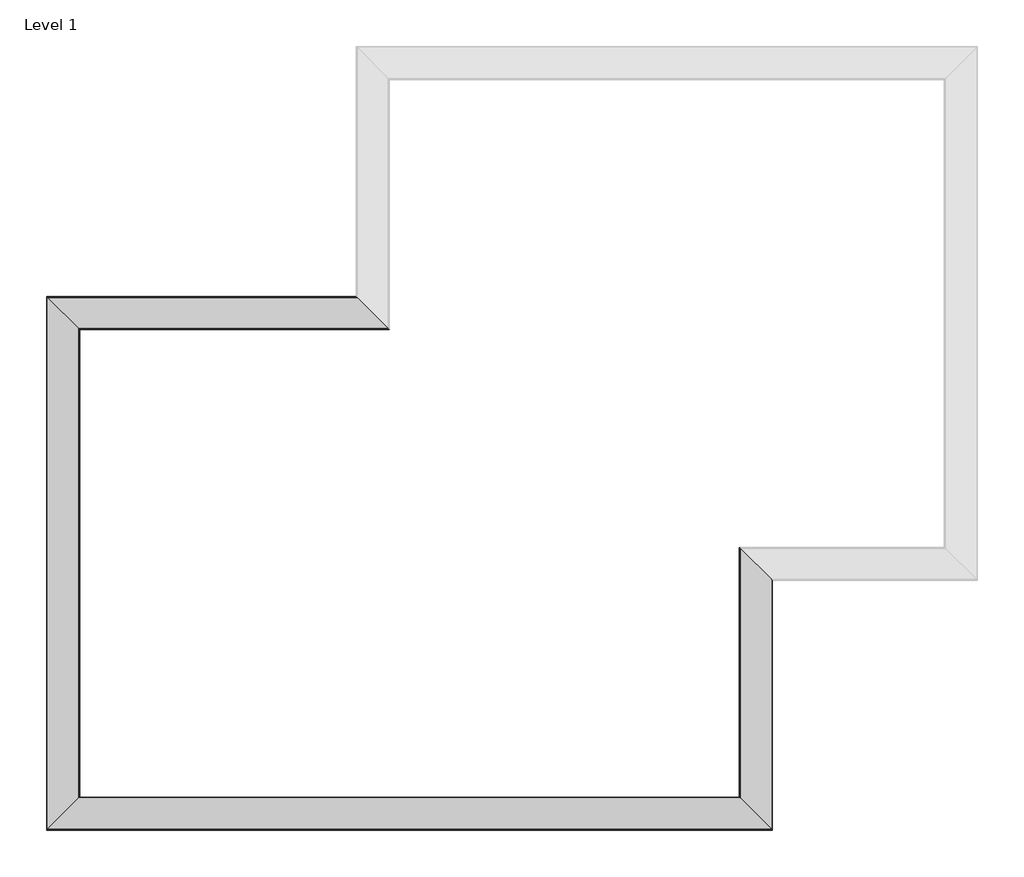
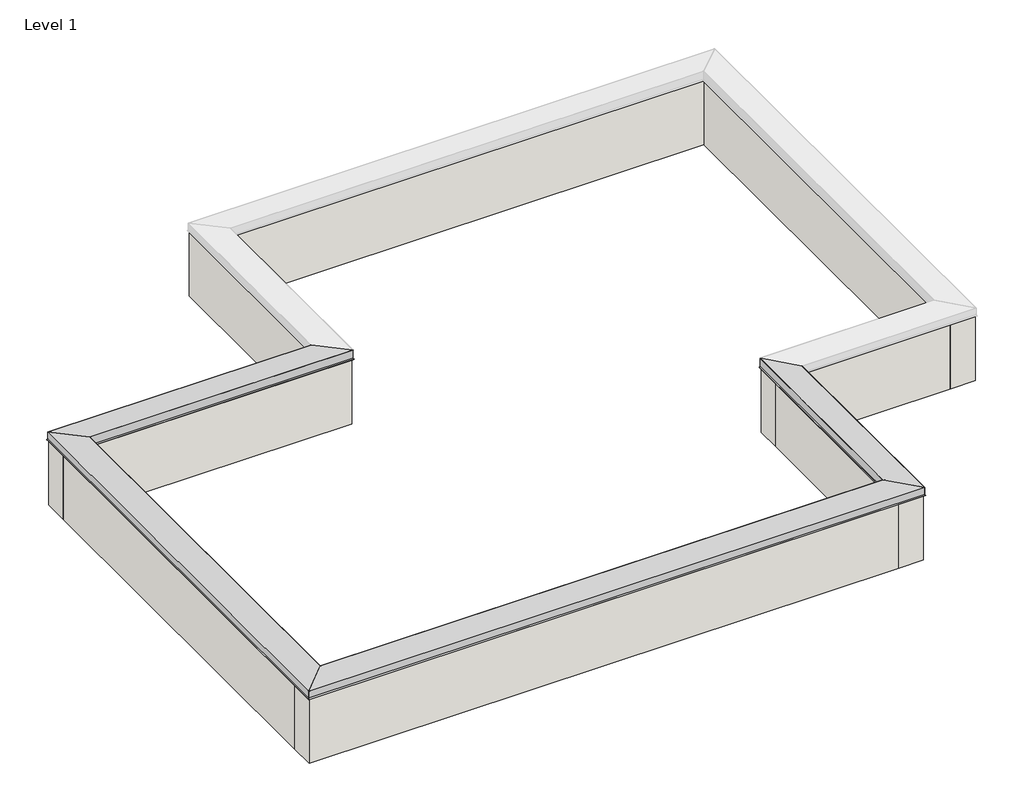
# One storey, part 1 of 2: 8 walls, 4 proxies.
"""IFC4 building model written with IfcOpenShell, lengths in millimetres."""

from ifc_helpers import new_model, si_unit, frame, origin, origin_with_axes, place, context, project, spatial, polyline, ellipse_curve, outline, extrude, faceted_brep, element, save
from ifc_brep_helpers import plane_surface, cylinder_surface, advanced_brep

model = new_model("IFC4")

# Units and contexts
model_context = context("Model", 3, world=origin())
ifc_project = project(units=[si_unit("LENGTHUNIT", "METRE", prefix="MILLI")], contexts=[model_context])

# Site, building, storey
site = spatial("IfcSite", under=ifc_project)
building = spatial("IfcBuilding", under=site)
storey = spatial("IfcBuildingStorey", under=building, Name="Level 1", Elevation=0.0)

# Proxies
placement = place(None, origin())
element("IfcBuildingElementProxy", 1, Name="Wall Sweeps", at=placement, inside=storey, context=model_context, shape_type="AdvancedBrep", body=[
    advanced_brep(
    [(-8110.4188815, 22766.7096342, 938.5532133), (-8110.4188815, 22766.7096342, 853.6034331), (-8118.3868754, 22774.6776281, 839.8024627), (-8116.9097878, 22773.2005405, 838.3536044), (-8107.3263626, 22763.6171153, 844.1359599), (-8107.8902006, 22764.1809533, 845.0704406), (-8117.3968634, 22773.6876161, 839.3344014), (-8109.3274752, 22765.6182279, 853.3109916), (-8109.3274752, 22765.6182279, 938.7085938), (-7785.4774752, 22441.7682279, 956.4191406), (-7785.4774752, 22441.7682279, 853.3109916), (-7777.4080871, 22433.6988398, 839.3344014), (-7786.9147498, 22443.2055026, 845.0704406), (-7787.4785879, 22443.7693406, 844.1359599), (-7777.8951627, 22434.1859154, 838.3536044), (-7776.418075, 22432.7088278, 839.8024627), (-7784.386069, 22440.6768217, 853.6034331), (-7784.386069, 22440.6768217, 956.2061298), (-7785.7497654, 22442.0405181, 957.4972868), (-8109.2319239, 22765.5226766, 939.8068563), (-4897.3004714, 22766.7096342, 938.5532133), (-4896.1135138, 22765.5226766, 939.8068563), (-4572.6313554, 22442.0405181, 957.4972868), (-4571.2676589, 22440.6768217, 956.2061298), (-4571.2676589, 22440.6768217, 853.6034331), (-4563.299665, 22432.7088278, 839.8024627), (-4564.7767526, 22434.1859154, 838.3536044), (-4574.3601778, 22443.7693406, 844.1359599), (-4573.7963398, 22443.2055026, 845.0704406), (-4564.289677, 22433.6988398, 839.3344014), (-4572.3590652, 22441.7682279, 853.3109916), (-4572.3590652, 22441.7682279, 956.4191406), (-4896.2090652, 22765.6182279, 938.7085938), (-4896.2090652, 22765.6182279, 853.3109916), (-4904.2784533, 22773.6876161, 839.3344014), (-4894.7717906, 22764.1809533, 845.0704406), (-4894.2079525, 22763.6171153, 844.1359599), (-4903.7913777, 22773.2005405, 838.3536044), (-4905.2684654, 22774.6776281, 839.8024627), (-4897.3004714, 22766.7096342, 853.6034331)],
    [
        (0, 1),
        (1, 2),
        (2, 3, ellipse_curve(frame((-8117.4616931, 22773.7524459, 839.2683085), z_axis=(-0.7071067811865511, -0.707106781186544, 0.0), x_axis=(-0.7071067811865438, 0.7071067811865512, 0.0)), 1.5108163, 1.0683085)),
        (3, 4),
        (4, 5),
        (5, 6),
        (6, 7),
        (7, 8),
        (8, 9),
        (9, 10),
        (10, 11),
        (11, 12),
        (12, 13),
        (13, 14),
        (14, 15, ellipse_curve(frame((-7777.3432573, 22433.63401, 839.2683085), z_axis=(-0.7071067811865511, -0.707106781186544, 0.0), x_axis=(-0.7071067811865438, 0.7071067811865512, 0.0)), 1.5108163, 1.0683085)),
        (15, 16),
        (16, 17),
        (17, 18, ellipse_curve(frame((-7785.6791553, 22441.969908, 956.2061298), z_axis=(-0.7071067811865511, -0.707106781186544, 0.0), x_axis=(-0.7071067811865438, 0.7071067811865512, 0.0)), 1.8287002, 1.2930863)),
        (18, 19),
        (19, 0, ellipse_curve(frame((-8109.1633653, 22765.454118, 938.5532133), z_axis=(-0.7071067811865511, -0.707106781186544, 0.0), x_axis=(-0.7071067811865438, 0.7071067811865512, 0.0)), 1.775568, 1.2555162)),
        (20, 21, ellipse_curve(frame((-4896.0449552, 22765.454118, 938.5532133), z_axis=(0.7071067811865511, 0.707106781186544, 0.0), x_axis=(-0.7071067811865438, 0.7071067811865512, 0.0)), 1.775568, 1.2555162)),
        (21, 22),
        (22, 23, ellipse_curve(frame((-4572.5607452, 22441.969908, 956.2061298), z_axis=(0.7071067811865511, 0.707106781186544, 0.0), x_axis=(-0.7071067811865438, 0.7071067811865512, 0.0)), 1.8287002, 1.2930863)),
        (23, 24),
        (24, 25),
        (25, 26, ellipse_curve(frame((-4564.2248473, 22433.63401, 839.2683085), z_axis=(0.7071067811865511, 0.707106781186544, 0.0), x_axis=(-0.7071067811865438, 0.7071067811865512, 0.0)), 1.5108163, 1.0683085)),
        (26, 27),
        (27, 28),
        (28, 29),
        (29, 30),
        (30, 31),
        (31, 32),
        (32, 33),
        (33, 34),
        (34, 35),
        (35, 36),
        (36, 37),
        (37, 38, ellipse_curve(frame((-4904.3432831, 22773.7524459, 839.2683085), z_axis=(0.7071067811865511, 0.707106781186544, 0.0), x_axis=(-0.7071067811865438, 0.7071067811865512, 0.0)), 1.5108163, 1.0683085)),
        (38, 39),
        (39, 20),
        (0, 20),
        (39, 1),
        (38, 2),
        (37, 3),
        (36, 4),
        (35, 5),
        (34, 6),
        (33, 7),
        (32, 8),
        (31, 9),
        (30, 10),
        (29, 11),
        (28, 12),
        (27, 13),
        (26, 14),
        (25, 15),
        (24, 16),
        (23, 17),
        (22, 18),
        (21, 19),
    ],
    [
        plane_surface(frame((-7947.4024752, 22603.6932279, 1219.2), z_axis=(-0.7071067811865511, -0.707106781186544, 0.0), x_axis=(0.707106781186544, -0.7071067811865511, 0.0))),
        plane_surface(frame((-4734.2840652, 22603.6932279, 609.6), z_axis=(0.7071067811865511, 0.707106781186544, 0.0), x_axis=(-0.707106781186544, 0.7071067811865511, 0.0))),
        plane_surface(frame((-8110.4188815, 22766.7096342, 938.5532133), z_axis=(0.0, 1.0, 0.0), x_axis=(1.0, 0.0, 0.0))),
        plane_surface(frame((-8110.4188815, 22766.7096342, 853.6034331), z_axis=(0.0, 0.8660254037844569, 0.4999999999999685), x_axis=(1.0, 0.0, 0.0))),
        cylinder_surface(frame((-7947.4024752, 22773.7524459, 839.2683085), z_axis=(-1.0, 0.0, 0.0), x_axis=(0.0, -1.0, 0.0)), 1.0683085),
        plane_surface(frame((-8116.9097878, 22773.2005405, 838.3536044), z_axis=(0.0, -0.5166161099101971, -0.8562171424243123), x_axis=(1.0, 0.0, 0.0))),
        plane_surface(frame((-8107.3263626, 22763.6171153, 844.1359599), z_axis=(0.0, -0.8562171424243104, 0.5166161099102006), x_axis=(1.0, 0.0, 0.0))),
        plane_surface(frame((-8107.8902006, 22764.1809533, 845.0704406), z_axis=(0.0, 0.5166161099101976, 0.8562171424243121), x_axis=(1.0, 0.0, 0.0))),
        plane_surface(frame((-8117.3968634, 22773.6876161, 839.3344014), z_axis=(0.0, -0.8660254037844562, -0.4999999999999696), x_axis=(1.0, 0.0, 0.0))),
        plane_surface(frame((-8109.3274752, 22765.6182279, 853.3109916), z_axis=(0.0, -1.0, 0.0), x_axis=(1.0, 0.0, 0.0))),
        plane_surface(frame((-8109.3274752, 22765.6182279, 938.7085938), z_axis=(0.0, -0.054605905401932484, -0.9985079844924803), x_axis=(1.0, 0.0, 0.0))),
        plane_surface(frame((-7785.4774752, 22441.7682279, 956.4191406), z_axis=(0.0, 1.0, 0.0), x_axis=(1.0, 0.0, 0.0))),
        plane_surface(frame((-7785.4774752, 22441.7682279, 853.3109916), z_axis=(0.0, 0.8660254037844567, -0.49999999999996875), x_axis=(1.0, 0.0, 0.0))),
        plane_surface(frame((-7777.4080871, 22433.6988398, 839.3344014), z_axis=(0.0, -0.5166161099101967, 0.8562171424243127), x_axis=(1.0, 0.0, 0.0))),
        plane_surface(frame((-7786.9147498, 22443.2055026, 845.0704406), z_axis=(0.0, 0.8562171424243104, 0.5166161099102006), x_axis=(1.0, 0.0, 0.0))),
        plane_surface(frame((-7787.4785879, 22443.7693406, 844.1359599), z_axis=(0.0, 0.5166161099101941, -0.8562171424243141), x_axis=(1.0, 0.0, 0.0))),
        cylinder_surface(frame((-7947.4024752, 22433.63401, 839.2683085), z_axis=(-1.0, 0.0, 0.0), x_axis=(0.0, -1.0, 0.0)), 1.0683085),
        plane_surface(frame((-7776.418075, 22432.7088278, 839.8024627), z_axis=(0.0, -0.8660254037844565, 0.4999999999999693), x_axis=(1.0, 0.0, 0.0))),
        plane_surface(frame((-7784.386069, 22440.6768217, 853.6034331), z_axis=(0.0, -1.0, 0.0), x_axis=(1.0, 0.0, 0.0))),
        cylinder_surface(frame((-7947.4024752, 22441.969908, 956.2061298), z_axis=(-1.0, 0.0, 0.0), x_axis=(0.0, -1.0, 0.0)), 1.2930863),
        plane_surface(frame((-7785.7497654, 22442.0405181, 957.4972868), z_axis=(0.0, 0.05460590540193245, 0.9985079844924803), x_axis=(1.0, 0.0, 0.0))),
        cylinder_surface(frame((-7947.4024752, 22765.454118, 938.5532133), z_axis=(-1.0, 0.0, 0.0), x_axis=(0.0, -1.0, 0.0)), 1.2555162),
    ],
    [
        (0, [[1, 2, 3, 4, 5, 6, 7, 8, 9, 10, 11, 12, 13, 14, 15, 16, 17, 18, 19, 20]]),
        (1, [[21, 22, 23, 24, 25, 26, 27, 28, 29, 30, 31, 32, 33, 34, 35, 36, 37, 38, 39, 40]]),
        (2, [[-1, 41, -40, 42]]),
        (3, [[-2, -42, -39, 43]]),
        (4, [[-3, -43, -38, 44]]),
        (5, [[-4, -44, -37, 45]]),
        (6, [[-5, -45, -36, 46]]),
        (7, [[-6, -46, -35, 47]]),
        (8, [[-7, -47, -34, 48]]),
        (9, [[-8, -48, -33, 49]]),
        (10, [[-9, -49, -32, 50]]),
        (11, [[-10, -50, -31, 51]]),
        (12, [[-11, -51, -30, 52]]),
        (13, [[-12, -52, -29, 53]]),
        (14, [[-13, -53, -28, 54]]),
        (15, [[-14, -54, -27, 55]]),
        (16, [[-15, -55, -26, 56]]),
        (17, [[-16, -56, -25, 57]]),
        (18, [[-17, -57, -24, 58]]),
        (19, [[-18, -58, -23, 59]]),
        (20, [[-19, -59, -22, 60]]),
        (21, [[-20, -60, -21, -41]]),
    ],
),
])
element("IfcBuildingElementProxy", 2, Name="Wall Sweeps", at=placement, inside=storey, context=model_context, shape_type="AdvancedBrep", body=[
    advanced_brep(
    [(-596.1492489, 19837.1584116, 938.5532133), (-596.1492489, 19837.1584116, 853.6034331), (-588.1812549, 19829.1904177, 839.8024627), (-589.6583426, 19830.6675054, 838.3536044), (-599.2417678, 19840.2509306, 844.1359599), (-598.6779297, 19839.6870925, 845.0704406), (-589.171267, 19830.1804297, 839.3344014), (-597.2406551, 19838.2498179, 853.3109916), (-597.2406551, 19838.2498179, 938.7085938), (-921.0906551, 20162.0998179, 956.4191406), (-921.0906551, 20162.0998179, 853.3109916), (-929.1600433, 20170.1692061, 839.3344014), (-919.6533805, 20160.6625433, 845.0704406), (-919.0895425, 20160.0987052, 844.1359599), (-928.6729677, 20169.6821304, 838.3536044), (-930.1500553, 20171.1592181, 839.8024627), (-922.1820614, 20163.1912241, 853.6034331), (-922.1820614, 20163.1912241, 956.2061298), (-920.8183649, 20161.8275277, 957.4972868), (-597.3362065, 19838.3453692, 939.8068563), (-596.1492489, 17246.3584116, 938.5532133), (-597.3362065, 17247.5453692, 939.8068563), (-920.8183649, 17571.0275277, 957.4972868), (-922.1820614, 17572.3912241, 956.2061298), (-922.1820614, 17572.3912241, 853.6034331), (-930.1500553, 17580.3592181, 839.8024627), (-928.6729677, 17578.8821304, 838.3536044), (-919.0895425, 17569.2987052, 844.1359599), (-919.6533805, 17569.8625433, 845.0704406), (-929.1600433, 17579.3692061, 839.3344014), (-921.0906551, 17571.2998179, 853.3109916), (-921.0906551, 17571.2998179, 956.4191406), (-597.2406551, 17247.4498179, 938.7085938), (-597.2406551, 17247.4498179, 853.3109916), (-589.171267, 17239.3804297, 839.3344014), (-598.6779297, 17248.8870925, 845.0704406), (-599.2417678, 17249.4509306, 844.1359599), (-589.6583426, 17239.8675054, 838.3536044), (-588.1812549, 17238.3904177, 839.8024627), (-596.1492489, 17246.3584116, 853.6034331)],
    [
        (0, 1),
        (1, 2),
        (2, 3, ellipse_curve(frame((-589.1064372, 19830.1156, 839.2683085), z_axis=(0.7071067811865513, 0.7071067811865438, 0.0), x_axis=(-0.7071067811865438, 0.7071067811865512, 0.0)), 1.5108163, 1.0683085)),
        (3, 4),
        (4, 5),
        (5, 6),
        (6, 7),
        (7, 8),
        (8, 9),
        (9, 10),
        (10, 11),
        (11, 12),
        (12, 13),
        (13, 14),
        (14, 15, ellipse_curve(frame((-929.224873, 20170.2340358, 839.2683085), z_axis=(0.7071067811865513, 0.7071067811865438, 0.0), x_axis=(-0.7071067811865438, 0.7071067811865512, 0.0)), 1.5108163, 1.0683085)),
        (15, 16),
        (16, 17),
        (17, 18, ellipse_curve(frame((-920.8889751, 20161.8981379, 956.2061298), z_axis=(0.7071067811865513, 0.7071067811865438, 0.0), x_axis=(-0.7071067811865438, 0.7071067811865512, 0.0)), 1.8287002, 1.2930863)),
        (18, 19),
        (19, 0, ellipse_curve(frame((-597.4047651, 19838.4139278, 938.5532133), z_axis=(0.7071067811865513, 0.7071067811865438, 0.0), x_axis=(-0.7071067811865438, 0.7071067811865512, 0.0)), 1.775568, 1.2555162)),
        (20, 21, ellipse_curve(frame((-597.4047651, 17247.6139278, 938.5532133), z_axis=(-0.7071067811865478, -0.7071067811865474, 0.0), x_axis=(-0.7071067811865475, 0.7071067811865477, 0.0)), 1.775568, 1.2555162)),
        (21, 22),
        (22, 23, ellipse_curve(frame((-920.8889751, 17571.0981379, 956.2061298), z_axis=(-0.7071067811865478, -0.7071067811865474, 0.0), x_axis=(-0.7071067811865475, 0.7071067811865477, 0.0)), 1.8287002, 1.2930863)),
        (23, 24),
        (24, 25),
        (25, 26, ellipse_curve(frame((-929.224873, 17579.4340358, 839.2683085), z_axis=(-0.7071067811865478, -0.7071067811865474, 0.0), x_axis=(-0.7071067811865475, 0.7071067811865477, 0.0)), 1.5108163, 1.0683085)),
        (26, 27),
        (27, 28),
        (28, 29),
        (29, 30),
        (30, 31),
        (31, 32),
        (32, 33),
        (33, 34),
        (34, 35),
        (35, 36),
        (36, 37),
        (37, 38, ellipse_curve(frame((-589.1064372, 17239.3156, 839.2683085), z_axis=(-0.7071067811865478, -0.7071067811865474, 0.0), x_axis=(-0.7071067811865475, 0.7071067811865477, 0.0)), 1.5108163, 1.0683085)),
        (38, 39),
        (39, 20),
        (0, 20),
        (39, 1),
        (38, 2),
        (37, 3),
        (36, 4),
        (35, 5),
        (34, 6),
        (33, 7),
        (32, 8),
        (31, 9),
        (30, 10),
        (29, 11),
        (28, 12),
        (27, 13),
        (26, 14),
        (25, 15),
        (24, 16),
        (23, 17),
        (22, 18),
        (21, 19),
    ],
    [
        plane_surface(frame((-759.1656551, 20000.1748179, 609.6), z_axis=(0.7071067811865513, 0.7071067811865438, 0.0), x_axis=(0.7071067811865438, -0.7071067811865513, 0.0))),
        plane_surface(frame((-759.1656551, 17409.3748179, 1219.2), z_axis=(-0.7071067811865478, -0.7071067811865474, 0.0), x_axis=(-0.7071067811865474, 0.7071067811865478, 0.0))),
        plane_surface(frame((-596.1492489, 19837.1584116, 938.5532133), z_axis=(1.0, 0.0, 0.0), x_axis=(0.0, -1.0, 0.0))),
        plane_surface(frame((-596.1492489, 19837.1584116, 853.6034331), z_axis=(0.8660254037844569, 0.0, 0.4999999999999685), x_axis=(0.0, -1.0, 0.0))),
        cylinder_surface(frame((-589.1064372, 20000.1748179, 839.2683085), z_axis=(0.0, 1.0, 0.0), x_axis=(-1.0, 0.0, 0.0)), 1.0683085),
        plane_surface(frame((-589.6583426, 19830.6675054, 838.3536044), z_axis=(-0.5166161099101971, 0.0, -0.8562171424243123), x_axis=(0.0, -1.0, 0.0))),
        plane_surface(frame((-599.2417678, 19840.2509306, 844.1359599), z_axis=(-0.8562171424243104, 0.0, 0.5166161099102006), x_axis=(0.0, -1.0, 0.0))),
        plane_surface(frame((-598.6779297, 19839.6870925, 845.0704406), z_axis=(0.5166161099101976, 0.0, 0.8562171424243121), x_axis=(0.0, -1.0, 0.0))),
        plane_surface(frame((-589.171267, 19830.1804297, 839.3344014), z_axis=(-0.8660254037844562, 0.0, -0.4999999999999696), x_axis=(0.0, -1.0, 0.0))),
        plane_surface(frame((-597.2406551, 19838.2498179, 853.3109916), z_axis=(-1.0, 0.0, 0.0), x_axis=(0.0, -1.0, 0.0))),
        plane_surface(frame((-597.2406551, 19838.2498179, 938.7085938), z_axis=(-0.054605905401932484, 0.0, -0.9985079844924803), x_axis=(0.0, -1.0, 0.0))),
        plane_surface(frame((-921.0906551, 20162.0998179, 956.4191406), z_axis=(1.0, 0.0, 0.0), x_axis=(0.0, -1.0, 0.0))),
        plane_surface(frame((-921.0906551, 20162.0998179, 853.3109916), z_axis=(0.8660254037844567, 0.0, -0.49999999999996875), x_axis=(0.0, -1.0, 0.0))),
        plane_surface(frame((-929.1600433, 20170.1692061, 839.3344014), z_axis=(-0.5166161099101967, 0.0, 0.8562171424243127), x_axis=(0.0, -1.0, 0.0))),
        plane_surface(frame((-919.6533805, 20160.6625433, 845.0704406), z_axis=(0.8562171424243104, 0.0, 0.5166161099102006), x_axis=(0.0, -1.0, 0.0))),
        plane_surface(frame((-919.0895425, 20160.0987052, 844.1359599), z_axis=(0.5166161099101941, 0.0, -0.8562171424243141), x_axis=(0.0, -1.0, 0.0))),
        cylinder_surface(frame((-929.224873, 20000.1748179, 839.2683085), z_axis=(0.0, 1.0, 0.0), x_axis=(-1.0, 0.0, 0.0)), 1.0683085),
        plane_surface(frame((-930.1500553, 20171.1592181, 839.8024627), z_axis=(-0.8660254037844565, 0.0, 0.4999999999999693), x_axis=(0.0, -1.0, 0.0))),
        plane_surface(frame((-922.1820614, 20163.1912241, 853.6034331), z_axis=(-1.0, 0.0, 0.0), x_axis=(0.0, -1.0, 0.0))),
        cylinder_surface(frame((-920.8889751, 20000.1748179, 956.2061298), z_axis=(0.0, 1.0, 0.0), x_axis=(-1.0, 0.0, 0.0)), 1.2930863),
        plane_surface(frame((-920.8183649, 20161.8275277, 957.4972868), z_axis=(0.05460590540193245, 0.0, 0.9985079844924803), x_axis=(0.0, -1.0, 0.0))),
        cylinder_surface(frame((-597.4047651, 20000.1748179, 938.5532133), z_axis=(0.0, 1.0, 0.0), x_axis=(-1.0, 0.0, 0.0)), 1.2555162),
    ],
    [
        (0, [[1, 2, 3, 4, 5, 6, 7, 8, 9, 10, 11, 12, 13, 14, 15, 16, 17, 18, 19, 20]]),
        (1, [[21, 22, 23, 24, 25, 26, 27, 28, 29, 30, 31, 32, 33, 34, 35, 36, 37, 38, 39, 40]]),
        (2, [[-1, 41, -40, 42]]),
        (3, [[-2, -42, -39, 43]]),
        (4, [[-3, -43, -38, 44]]),
        (5, [[-4, -44, -37, 45]]),
        (6, [[-5, -45, -36, 46]]),
        (7, [[-6, -46, -35, 47]]),
        (8, [[-7, -47, -34, 48]]),
        (9, [[-8, -48, -33, 49]]),
        (10, [[-9, -49, -32, 50]]),
        (11, [[-10, -50, -31, 51]]),
        (12, [[-11, -51, -30, 52]]),
        (13, [[-12, -52, -29, 53]]),
        (14, [[-13, -53, -28, 54]]),
        (15, [[-14, -54, -27, 55]]),
        (16, [[-15, -55, -26, 56]]),
        (17, [[-16, -56, -25, 57]]),
        (18, [[-17, -57, -24, 58]]),
        (19, [[-18, -58, -23, 59]]),
        (20, [[-19, -59, -22, 60]]),
        (21, [[-20, -60, -21, -41]]),
    ],
),
])
element("IfcBuildingElementProxy", 3, Name="Wall Sweeps", at=placement, inside=storey, context=model_context, shape_type="AdvancedBrep", body=[
    advanced_brep(
    [(-596.1492489, 17246.3584116, 938.5532133), (-596.1492489, 17246.3584116, 853.6034331), (-588.1812549, 17238.3904177, 839.8024627), (-589.6583426, 17239.8675054, 838.3536044), (-599.2417678, 17249.4509306, 844.1359599), (-598.6779297, 17248.8870925, 845.0704406), (-589.171267, 17239.3804297, 839.3344014), (-597.2406551, 17247.4498179, 853.3109916), (-597.2406551, 17247.4498179, 938.7085938), (-921.0906551, 17571.2998179, 956.4191406), (-921.0906551, 17571.2998179, 853.3109916), (-929.1600433, 17579.3692061, 839.3344014), (-919.6533805, 17569.8625433, 845.0704406), (-919.0895425, 17569.2987052, 844.1359599), (-928.6729677, 17578.8821304, 838.3536044), (-930.1500553, 17580.3592181, 839.8024627), (-922.1820614, 17572.3912241, 853.6034331), (-922.1820614, 17572.3912241, 956.2061298), (-920.8183649, 17571.0275277, 957.4972868), (-597.3362065, 17247.5453692, 939.8068563), (-8110.4188815, 17246.3584116, 938.5532133), (-8109.2319239, 17247.5453692, 939.8068563), (-7785.7497654, 17571.0275277, 957.4972868), (-7784.386069, 17572.3912241, 956.2061298), (-7784.386069, 17572.3912241, 853.6034331), (-7776.418075, 17580.3592181, 839.8024627), (-7777.8951627, 17578.8821304, 838.3536044), (-7787.4785879, 17569.2987052, 844.1359599), (-7786.9147498, 17569.8625433, 845.0704406), (-7777.4080871, 17579.3692061, 839.3344014), (-7785.4774752, 17571.2998179, 853.3109916), (-7785.4774752, 17571.2998179, 956.4191406), (-8109.3274752, 17247.4498179, 938.7085938), (-8109.3274752, 17247.4498179, 853.3109916), (-8117.3968634, 17239.3804297, 839.3344014), (-8107.8902006, 17248.8870925, 845.0704406), (-8107.3263626, 17249.4509306, 844.1359599), (-8116.9097878, 17239.8675054, 838.3536044), (-8118.3868754, 17238.3904177, 839.8024627), (-8110.4188815, 17246.3584116, 853.6034331)],
    [
        (0, 1),
        (1, 2),
        (2, 3, ellipse_curve(frame((-589.1064372, 17239.3156, 839.2683085), z_axis=(0.7071067811865478, 0.7071067811865474, 0.0), x_axis=(0.7071067811865472, -0.7071067811865477, 0.0)), 1.5108163, 1.0683085)),
        (3, 4),
        (4, 5),
        (5, 6),
        (6, 7),
        (7, 8),
        (8, 9),
        (9, 10),
        (10, 11),
        (11, 12),
        (12, 13),
        (13, 14),
        (14, 15, ellipse_curve(frame((-929.224873, 17579.4340358, 839.2683085), z_axis=(0.7071067811865478, 0.7071067811865474, 0.0), x_axis=(0.7071067811865472, -0.7071067811865477, 0.0)), 1.5108163, 1.0683085)),
        (15, 16),
        (16, 17),
        (17, 18, ellipse_curve(frame((-920.8889751, 17571.0981379, 956.2061298), z_axis=(0.7071067811865478, 0.7071067811865474, 0.0), x_axis=(0.7071067811865472, -0.7071067811865477, 0.0)), 1.8287002, 1.2930863)),
        (18, 19),
        (19, 0, ellipse_curve(frame((-597.4047651, 17247.6139278, 938.5532133), z_axis=(0.7071067811865478, 0.7071067811865474, 0.0), x_axis=(0.7071067811865472, -0.7071067811865477, 0.0)), 1.775568, 1.2555162)),
        (20, 21, ellipse_curve(frame((-8109.1633653, 17247.6139278, 938.5532133), z_axis=(-0.7071067811865458, 0.7071067811865493, 0.0), x_axis=(0.7071067811865491, 0.7071067811865458, 0.0)), 1.775568, 1.2555162)),
        (21, 22),
        (22, 23, ellipse_curve(frame((-7785.6791553, 17571.0981379, 956.2061298), z_axis=(-0.7071067811865458, 0.7071067811865493, 0.0), x_axis=(0.7071067811865491, 0.7071067811865458, 0.0)), 1.8287002, 1.2930863)),
        (23, 24),
        (24, 25),
        (25, 26, ellipse_curve(frame((-7777.3432573, 17579.4340358, 839.2683085), z_axis=(-0.7071067811865458, 0.7071067811865493, 0.0), x_axis=(0.7071067811865491, 0.7071067811865458, 0.0)), 1.5108163, 1.0683085)),
        (26, 27),
        (27, 28),
        (28, 29),
        (29, 30),
        (30, 31),
        (31, 32),
        (32, 33),
        (33, 34),
        (34, 35),
        (35, 36),
        (36, 37),
        (37, 38, ellipse_curve(frame((-8117.4616931, 17239.3156, 839.2683085), z_axis=(-0.7071067811865458, 0.7071067811865493, 0.0), x_axis=(0.7071067811865491, 0.7071067811865458, 0.0)), 1.5108163, 1.0683085)),
        (38, 39),
        (39, 20),
        (0, 20),
        (39, 1),
        (38, 2),
        (37, 3),
        (36, 4),
        (35, 5),
        (34, 6),
        (33, 7),
        (32, 8),
        (31, 9),
        (30, 10),
        (29, 11),
        (28, 12),
        (27, 13),
        (26, 14),
        (25, 15),
        (24, 16),
        (23, 17),
        (22, 18),
        (21, 19),
    ],
    [
        plane_surface(frame((-759.1656551, 17409.3748179, 1219.2), z_axis=(0.7071067811865478, 0.7071067811865474, 0.0), x_axis=(-0.7071067811865474, 0.7071067811865478, 0.0))),
        plane_surface(frame((-7947.4024752, 17409.3748179, 1219.2), z_axis=(-0.7071067811865458, 0.7071067811865493, 0.0), x_axis=(0.7071067811865493, 0.7071067811865458, 0.0))),
        plane_surface(frame((-596.1492489, 17246.3584116, 938.5532133), z_axis=(0.0, -1.0, 0.0), x_axis=(-1.0, 0.0, 0.0))),
        plane_surface(frame((-596.1492489, 17246.3584116, 853.6034331), z_axis=(0.0, -0.8660254037844569, 0.4999999999999685), x_axis=(-1.0, 0.0, 0.0))),
        cylinder_surface(frame((-759.1656551, 17239.3156, 839.2683085), z_axis=(1.0, 0.0, 0.0), x_axis=(0.0, 1.0, 0.0)), 1.0683085),
        plane_surface(frame((-589.6583426, 17239.8675054, 838.3536044), z_axis=(0.0, 0.5166161099101971, -0.8562171424243123), x_axis=(-1.0, 0.0, 0.0))),
        plane_surface(frame((-599.2417678, 17249.4509306, 844.1359599), z_axis=(0.0, 0.8562171424243104, 0.5166161099102006), x_axis=(-1.0, 0.0, 0.0))),
        plane_surface(frame((-598.6779297, 17248.8870925, 845.0704406), z_axis=(0.0, -0.5166161099101976, 0.8562171424243121), x_axis=(-1.0, 0.0, 0.0))),
        plane_surface(frame((-589.171267, 17239.3804297, 839.3344014), z_axis=(0.0, 0.8660254037844562, -0.4999999999999696), x_axis=(-1.0, 0.0, 0.0))),
        plane_surface(frame((-597.2406551, 17247.4498179, 853.3109916), z_axis=(0.0, 1.0, 0.0), x_axis=(-1.0, 0.0, 0.0))),
        plane_surface(frame((-597.2406551, 17247.4498179, 938.7085938), z_axis=(0.0, 0.054605905401932484, -0.9985079844924803), x_axis=(-1.0, 0.0, 0.0))),
        plane_surface(frame((-921.0906551, 17571.2998179, 956.4191406), z_axis=(0.0, -1.0, 0.0), x_axis=(-1.0, 0.0, 0.0))),
        plane_surface(frame((-921.0906551, 17571.2998179, 853.3109916), z_axis=(0.0, -0.8660254037844567, -0.49999999999996875), x_axis=(-1.0, 0.0, 0.0))),
        plane_surface(frame((-929.1600433, 17579.3692061, 839.3344014), z_axis=(0.0, 0.5166161099101967, 0.8562171424243127), x_axis=(-1.0, 0.0, 0.0))),
        plane_surface(frame((-919.6533805, 17569.8625433, 845.0704406), z_axis=(0.0, -0.8562171424243104, 0.5166161099102006), x_axis=(-1.0, 0.0, 0.0))),
        plane_surface(frame((-919.0895425, 17569.2987052, 844.1359599), z_axis=(0.0, -0.5166161099101941, -0.8562171424243141), x_axis=(-1.0, 0.0, 0.0))),
        cylinder_surface(frame((-759.1656551, 17579.4340358, 839.2683085), z_axis=(1.0, 0.0, 0.0), x_axis=(0.0, 1.0, 0.0)), 1.0683085),
        plane_surface(frame((-930.1500553, 17580.3592181, 839.8024627), z_axis=(0.0, 0.8660254037844565, 0.4999999999999693), x_axis=(-1.0, 0.0, 0.0))),
        plane_surface(frame((-922.1820614, 17572.3912241, 853.6034331), z_axis=(0.0, 1.0, 0.0), x_axis=(-1.0, 0.0, 0.0))),
        cylinder_surface(frame((-759.1656551, 17571.0981379, 956.2061298), z_axis=(1.0, 0.0, 0.0), x_axis=(0.0, 1.0, 0.0)), 1.2930863),
        plane_surface(frame((-920.8183649, 17571.0275277, 957.4972868), z_axis=(0.0, -0.05460590540193245, 0.9985079844924803), x_axis=(-1.0, 0.0, 0.0))),
        cylinder_surface(frame((-759.1656551, 17247.6139278, 938.5532133), z_axis=(1.0, 0.0, 0.0), x_axis=(0.0, 1.0, 0.0)), 1.2555162),
    ],
    [
        (0, [[1, 2, 3, 4, 5, 6, 7, 8, 9, 10, 11, 12, 13, 14, 15, 16, 17, 18, 19, 20]]),
        (1, [[21, 22, 23, 24, 25, 26, 27, 28, 29, 30, 31, 32, 33, 34, 35, 36, 37, 38, 39, 40]]),
        (2, [[-1, 41, -40, 42]]),
        (3, [[-2, -42, -39, 43]]),
        (4, [[-3, -43, -38, 44]]),
        (5, [[-4, -44, -37, 45]]),
        (6, [[-5, -45, -36, 46]]),
        (7, [[-6, -46, -35, 47]]),
        (8, [[-7, -47, -34, 48]]),
        (9, [[-8, -48, -33, 49]]),
        (10, [[-9, -49, -32, 50]]),
        (11, [[-10, -50, -31, 51]]),
        (12, [[-11, -51, -30, 52]]),
        (13, [[-12, -52, -29, 53]]),
        (14, [[-13, -53, -28, 54]]),
        (15, [[-14, -54, -27, 55]]),
        (16, [[-15, -55, -26, 56]]),
        (17, [[-16, -56, -25, 57]]),
        (18, [[-17, -57, -24, 58]]),
        (19, [[-18, -58, -23, 59]]),
        (20, [[-19, -59, -22, 60]]),
        (21, [[-20, -60, -21, -41]]),
    ],
),
])
element("IfcBuildingElementProxy", 4, Name="Wall Sweeps", at=placement, inside=storey, context=model_context, shape_type="AdvancedBrep", body=[
    advanced_brep(
    [(-8110.4188815, 17246.3584116, 938.5532133), (-8110.4188815, 17246.3584116, 853.6034331), (-8118.3868754, 17238.3904177, 839.8024627), (-8116.9097878, 17239.8675054, 838.3536044), (-8107.3263626, 17249.4509306, 844.1359599), (-8107.8902006, 17248.8870925, 845.0704406), (-8117.3968634, 17239.3804297, 839.3344014), (-8109.3274752, 17247.4498179, 853.3109916), (-8109.3274752, 17247.4498179, 938.7085938), (-7785.4774752, 17571.2998179, 956.4191406), (-7785.4774752, 17571.2998179, 853.3109916), (-7777.4080871, 17579.3692061, 839.3344014), (-7786.9147498, 17569.8625433, 845.0704406), (-7787.4785879, 17569.2987052, 844.1359599), (-7777.8951627, 17578.8821304, 838.3536044), (-7776.418075, 17580.3592181, 839.8024627), (-7784.386069, 17572.3912241, 853.6034331), (-7784.386069, 17572.3912241, 956.2061298), (-7785.7497654, 17571.0275277, 957.4972868), (-8109.2319239, 17247.5453692, 939.8068563), (-8110.4188815, 22766.7096342, 938.5532133), (-8109.2319239, 22765.5226766, 939.8068563), (-7785.7497654, 22442.0405181, 957.4972868), (-7784.386069, 22440.6768217, 956.2061298), (-7784.386069, 22440.6768217, 853.6034331), (-7776.418075, 22432.7088278, 839.8024627), (-7777.8951627, 22434.1859154, 838.3536044), (-7787.4785879, 22443.7693406, 844.1359599), (-7786.9147498, 22443.2055026, 845.0704406), (-7777.4080871, 22433.6988398, 839.3344014), (-7785.4774752, 22441.7682279, 853.3109916), (-7785.4774752, 22441.7682279, 956.4191406), (-8109.3274752, 22765.6182279, 938.7085938), (-8109.3274752, 22765.6182279, 853.3109916), (-8117.3968634, 22773.6876161, 839.3344014), (-8107.8902006, 22764.1809533, 845.0704406), (-8107.3263626, 22763.6171153, 844.1359599), (-8116.9097878, 22773.2005405, 838.3536044), (-8118.3868754, 22774.6776281, 839.8024627), (-8110.4188815, 22766.7096342, 853.6034331)],
    [
        (0, 1),
        (1, 2),
        (2, 3, ellipse_curve(frame((-8117.4616931, 17239.3156, 839.2683085), z_axis=(0.7071067811865458, -0.7071067811865493, 0.0), x_axis=(-0.7071067811865492, -0.7071067811865457, 0.0)), 1.5108163, 1.0683085)),
        (3, 4),
        (4, 5),
        (5, 6),
        (6, 7),
        (7, 8),
        (8, 9),
        (9, 10),
        (10, 11),
        (11, 12),
        (12, 13),
        (13, 14),
        (14, 15, ellipse_curve(frame((-7777.3432573, 17579.4340358, 839.2683085), z_axis=(0.7071067811865458, -0.7071067811865493, 0.0), x_axis=(-0.7071067811865492, -0.7071067811865457, 0.0)), 1.5108163, 1.0683085)),
        (15, 16),
        (16, 17),
        (17, 18, ellipse_curve(frame((-7785.6791553, 17571.0981379, 956.2061298), z_axis=(0.7071067811865458, -0.7071067811865493, 0.0), x_axis=(-0.7071067811865492, -0.7071067811865457, 0.0)), 1.8287002, 1.2930863)),
        (18, 19),
        (19, 0, ellipse_curve(frame((-8109.1633653, 17247.6139278, 938.5532133), z_axis=(0.7071067811865458, -0.7071067811865493, 0.0), x_axis=(-0.7071067811865492, -0.7071067811865457, 0.0)), 1.775568, 1.2555162)),
        (20, 21, ellipse_curve(frame((-8109.1633653, 22765.454118, 938.5532133), z_axis=(0.7071067811865511, 0.707106781186544, 0.0), x_axis=(0.707106781186544, -0.7071067811865509, 0.0)), 1.775568, 1.2555162)),
        (21, 22),
        (22, 23, ellipse_curve(frame((-7785.6791553, 22441.969908, 956.2061298), z_axis=(0.7071067811865511, 0.707106781186544, 0.0), x_axis=(0.707106781186544, -0.7071067811865509, 0.0)), 1.8287002, 1.2930863)),
        (23, 24),
        (24, 25),
        (25, 26, ellipse_curve(frame((-7777.3432573, 22433.63401, 839.2683085), z_axis=(0.7071067811865511, 0.707106781186544, 0.0), x_axis=(0.707106781186544, -0.7071067811865509, 0.0)), 1.5108163, 1.0683085)),
        (26, 27),
        (27, 28),
        (28, 29),
        (29, 30),
        (30, 31),
        (31, 32),
        (32, 33),
        (33, 34),
        (34, 35),
        (35, 36),
        (36, 37),
        (37, 38, ellipse_curve(frame((-8117.4616931, 22773.7524459, 839.2683085), z_axis=(0.7071067811865511, 0.707106781186544, 0.0), x_axis=(0.707106781186544, -0.7071067811865509, 0.0)), 1.5108163, 1.0683085)),
        (38, 39),
        (39, 20),
        (0, 20),
        (39, 1),
        (38, 2),
        (37, 3),
        (36, 4),
        (35, 5),
        (34, 6),
        (33, 7),
        (32, 8),
        (31, 9),
        (30, 10),
        (29, 11),
        (28, 12),
        (27, 13),
        (26, 14),
        (25, 15),
        (24, 16),
        (23, 17),
        (22, 18),
        (21, 19),
    ],
    [
        plane_surface(frame((-7947.4024752, 17409.3748179, 1219.2), z_axis=(0.7071067811865458, -0.7071067811865493, 0.0), x_axis=(0.7071067811865493, 0.7071067811865458, 0.0))),
        plane_surface(frame((-7947.4024752, 22603.6932279, 1219.2), z_axis=(0.7071067811865511, 0.707106781186544, 0.0), x_axis=(0.707106781186544, -0.7071067811865511, 0.0))),
        plane_surface(frame((-8110.4188815, 17246.3584116, 938.5532133), z_axis=(-1.0, 0.0, 0.0), x_axis=(0.0, 1.0, 0.0))),
        plane_surface(frame((-8110.4188815, 17246.3584116, 853.6034331), z_axis=(-0.8660254037844569, 0.0, 0.4999999999999685), x_axis=(0.0, 1.0, 0.0))),
        cylinder_surface(frame((-8117.4616931, 17409.3748179, 839.2683085), z_axis=(0.0, -1.0, 0.0), x_axis=(1.0, 0.0, 0.0)), 1.0683085),
        plane_surface(frame((-8116.9097878, 17239.8675054, 838.3536044), z_axis=(0.5166161099101971, 0.0, -0.8562171424243123), x_axis=(0.0, 1.0, 0.0))),
        plane_surface(frame((-8107.3263626, 17249.4509306, 844.1359599), z_axis=(0.8562171424243104, 0.0, 0.5166161099102006), x_axis=(0.0, 1.0, 0.0))),
        plane_surface(frame((-8107.8902006, 17248.8870925, 845.0704406), z_axis=(-0.5166161099101976, 0.0, 0.8562171424243121), x_axis=(0.0, 1.0, 0.0))),
        plane_surface(frame((-8117.3968634, 17239.3804297, 839.3344014), z_axis=(0.8660254037844562, 0.0, -0.4999999999999696), x_axis=(0.0, 1.0, 0.0))),
        plane_surface(frame((-8109.3274752, 17247.4498179, 853.3109916), z_axis=(1.0, 0.0, 0.0), x_axis=(0.0, 1.0, 0.0))),
        plane_surface(frame((-8109.3274752, 17247.4498179, 938.7085938), z_axis=(0.054605905401932484, 0.0, -0.9985079844924803), x_axis=(0.0, 1.0, 0.0))),
        plane_surface(frame((-7785.4774752, 17571.2998179, 956.4191406), z_axis=(-1.0, 0.0, 0.0), x_axis=(0.0, 1.0, 0.0))),
        plane_surface(frame((-7785.4774752, 17571.2998179, 853.3109916), z_axis=(-0.8660254037844567, 0.0, -0.49999999999996875), x_axis=(0.0, 1.0, 0.0))),
        plane_surface(frame((-7777.4080871, 17579.3692061, 839.3344014), z_axis=(0.5166161099101967, 0.0, 0.8562171424243127), x_axis=(0.0, 1.0, 0.0))),
        plane_surface(frame((-7786.9147498, 17569.8625433, 845.0704406), z_axis=(-0.8562171424243104, 0.0, 0.5166161099102006), x_axis=(0.0, 1.0, 0.0))),
        plane_surface(frame((-7787.4785879, 17569.2987052, 844.1359599), z_axis=(-0.5166161099101941, 0.0, -0.8562171424243141), x_axis=(0.0, 1.0, 0.0))),
        cylinder_surface(frame((-7777.3432573, 17409.3748179, 839.2683085), z_axis=(0.0, -1.0, 0.0), x_axis=(1.0, 0.0, 0.0)), 1.0683085),
        plane_surface(frame((-7776.418075, 17580.3592181, 839.8024627), z_axis=(0.8660254037844565, 0.0, 0.4999999999999693), x_axis=(0.0, 1.0, 0.0))),
        plane_surface(frame((-7784.386069, 17572.3912241, 853.6034331), z_axis=(1.0, 0.0, 0.0), x_axis=(0.0, 1.0, 0.0))),
        cylinder_surface(frame((-7785.6791553, 17409.3748179, 956.2061298), z_axis=(0.0, -1.0, 0.0), x_axis=(1.0, 0.0, 0.0)), 1.2930863),
        plane_surface(frame((-7785.7497654, 17571.0275277, 957.4972868), z_axis=(-0.05460590540193245, 0.0, 0.9985079844924803), x_axis=(0.0, 1.0, 0.0))),
        cylinder_surface(frame((-8109.1633653, 17409.3748179, 938.5532133), z_axis=(0.0, -1.0, 0.0), x_axis=(1.0, 0.0, 0.0)), 1.2555162),
    ],
    [
        (0, [[1, 2, 3, 4, 5, 6, 7, 8, 9, 10, 11, 12, 13, 14, 15, 16, 17, 18, 19, 20]]),
        (1, [[21, 22, 23, 24, 25, 26, 27, 28, 29, 30, 31, 32, 33, 34, 35, 36, 37, 38, 39, 40]]),
        (2, [[-1, 41, -40, 42]]),
        (3, [[-2, -42, -39, 43]]),
        (4, [[-3, -43, -38, 44]]),
        (5, [[-4, -44, -37, 45]]),
        (6, [[-5, -45, -36, 46]]),
        (7, [[-6, -46, -35, 47]]),
        (8, [[-7, -47, -34, 48]]),
        (9, [[-8, -48, -33, 49]]),
        (10, [[-9, -49, -32, 50]]),
        (11, [[-10, -50, -31, 51]]),
        (12, [[-11, -51, -30, 52]]),
        (13, [[-12, -52, -29, 53]]),
        (14, [[-13, -53, -28, 54]]),
        (15, [[-14, -54, -27, 55]]),
        (16, [[-15, -55, -26, 56]]),
        (17, [[-16, -56, -25, 57]]),
        (18, [[-17, -57, -24, 58]]),
        (19, [[-18, -58, -23, 59]]),
        (20, [[-19, -59, -22, 60]]),
        (21, [[-20, -60, -21, -41]]),
    ],
),
])

# Walls
element("IfcWall", 5, ObjectType="Generic - 12\" Parapet Coping Cap Tapered", at=placement, inside=storey, context=model_context, shape_type="Brep", body=[
    faceted_brep([(-8099.8024752, 22451.2932279, 0.0), (-7795.0024752, 22451.2932279, 0.0), (-4581.8840652, 22451.2932279, 0.0), (-4581.8840652, 22451.2932279, 914.4), (-7795.0024752, 22451.2932279, 914.4), (-8099.8024752, 22451.2932279, 914.4), (-4581.8840652, 22756.0932279, 0.0), (-4886.6840652, 22756.0932279, 0.0), (-8099.8024752, 22756.0932279, 0.0), (-8099.8024752, 22756.0932279, 914.4), (-4886.6840652, 22756.0932279, 914.4), (-4581.8840652, 22756.0932279, 914.4)], [[[0, 1, 2, 3, 4, 5]], [[6, 7, 8, 9, 10, 11]], [[2, 1, 0, 8, 7, 6]], [[5, 4, 3, 11, 10, 9]], [[3, 2, 6, 11]], [[0, 5, 9, 8]]]),
])
element("IfcWall", 6, ObjectType="Generic - 12\" Parapet Coping Cap Tapered", at=placement, inside=storey, context=model_context, shape_type="Brep", body=[
    faceted_brep([(-4581.8840652, 22756.0932279, 0.0), (-4581.8840652, 25048.0579346, 0.0), (-4581.8840652, 25352.8579346, 0.0), (-4581.8840652, 25352.8579346, 914.4), (-4581.8840652, 25048.0579346, 914.4), (-4581.8840652, 22756.0932279, 914.4), (-4886.6840652, 25352.8579346, 0.0), (-4886.6840652, 22756.0932279, 0.0), (-4886.6840652, 22756.0932279, 914.4), (-4886.6840652, 25352.8579346, 914.4)], [[[0, 1, 2, 3, 4, 5]], [[6, 7, 8, 9]], [[2, 1, 0, 7, 6]], [[5, 4, 3, 9, 8]], [[0, 5, 8, 7]], [[3, 2, 6, 9]]]),
])
element("IfcWall", 7, ObjectType="Generic - 12\" Parapet Coping Cap Tapered", at=placement, inside=storey, context=model_context, shape_type="Brep", body=[
    faceted_brep([(-4581.8840652, 25048.0579346, 0.0), (1215.2806415, 25048.0579346, 0.0), (1520.0806415, 25048.0579346, 0.0), (1520.0806415, 25048.0579346, 914.4), (1215.2806415, 25048.0579346, 914.4), (-4581.8840652, 25048.0579346, 914.4), (1520.0806415, 25352.8579346, 0.0), (-4581.8840652, 25352.8579346, 0.0), (-4581.8840652, 25352.8579346, 914.4), (1520.0806415, 25352.8579346, 914.4)], [[[0, 1, 2, 3, 4, 5]], [[6, 7, 8, 9]], [[2, 1, 0, 7, 6]], [[5, 4, 3, 9, 8]], [[3, 2, 6, 9]], [[0, 5, 8, 7]]]),
])
element("IfcWall", 8, ObjectType="Generic - 12\" Parapet Coping Cap Tapered", at=placement, inside=storey, context=model_context, shape_type="Brep", body=[
    faceted_brep([(1215.2806415, 25048.0579346, 0.0), (1215.2806415, 20152.5748179, 0.0), (1215.2806415, 19847.7748179, 0.0), (1215.2806415, 19847.7748179, 914.4), (1215.2806415, 20152.5748179, 914.4), (1215.2806415, 25048.0579346, 914.4), (1520.0806415, 19847.7748179, 0.0), (1520.0806415, 25048.0579346, 0.0), (1520.0806415, 25048.0579346, 914.4), (1520.0806415, 19847.7748179, 914.4)], [[[0, 1, 2, 3, 4, 5]], [[6, 7, 8, 9]], [[2, 1, 0, 7, 6]], [[5, 4, 3, 9, 8]], [[0, 5, 8, 7]], [[3, 2, 6, 9]]]),
])
element("IfcWall", 9, ObjectType="Generic - 12\" Parapet Coping Cap Tapered", at=placement, inside=storey, context=model_context, shape_type="Brep", body=[
    faceted_brep([(1215.2806415, 20152.5748179, 0.0), (-911.5656551, 20152.5748179, 0.0), (-911.5656551, 20152.5748179, 914.4), (1215.2806415, 20152.5748179, 914.4), (-911.5656551, 19847.7748179, 0.0), (-606.7656551, 19847.7748179, 0.0), (1215.2806415, 19847.7748179, 0.0), (1215.2806415, 19847.7748179, 914.4), (-606.7656551, 19847.7748179, 914.4), (-911.5656551, 19847.7748179, 914.4)], [[[0, 1, 2, 3]], [[4, 5, 6, 7, 8, 9]], [[1, 0, 6, 5, 4]], [[3, 2, 9, 8, 7]], [[2, 1, 4, 9]], [[0, 3, 7, 6]]]),
])
element("IfcWall", 10, ObjectType="Generic - 12\" Parapet Coping Cap Tapered", at=placement, inside=storey, context=model_context, shape_type="Brep", body=[
    faceted_brep([(-911.5656551, 19847.7748179, 0.0), (-911.5656551, 17561.7748179, 0.0), (-911.5656551, 17256.9748179, 0.0), (-911.5656551, 17256.9748179, 914.4), (-911.5656551, 17561.7748179, 914.4), (-911.5656551, 19847.7748179, 914.4), (-606.7656551, 17256.9748179, 0.0), (-606.7656551, 19847.7748179, 0.0), (-606.7656551, 19847.7748179, 914.4), (-606.7656551, 17256.9748179, 914.4)], [[[0, 1, 2, 3, 4, 5]], [[6, 7, 8, 9]], [[2, 1, 0, 7, 6]], [[5, 4, 3, 9, 8]], [[0, 5, 8, 7]], [[3, 2, 6, 9]]]),
])
element("IfcWall", 11, ObjectType="Generic - 12\" Parapet Coping Cap Tapered", at=placement, inside=storey, context=model_context, shape_type="Brep", body=[
    faceted_brep([(-911.5656551, 17561.7748179, 0.0), (-7795.0024752, 17561.7748179, 0.0), (-8099.8024752, 17561.7748179, 0.0), (-8099.8024752, 17561.7748179, 914.4), (-7795.0024752, 17561.7748179, 914.4), (-911.5656551, 17561.7748179, 914.4), (-8099.8024752, 17256.9748179, 0.0), (-911.5656551, 17256.9748179, 0.0), (-911.5656551, 17256.9748179, 914.4), (-8099.8024752, 17256.9748179, 914.4)], [[[0, 1, 2, 3, 4, 5]], [[6, 7, 8, 9]], [[2, 1, 0, 7, 6]], [[5, 4, 3, 9, 8]], [[0, 5, 8, 7]], [[3, 2, 6, 9]]]),
])
element("IfcWall", 12, ObjectType="Generic - 12\" Parapet Coping Cap Tapered", at=placement, inside=storey, context=model_context, shape_type="SweptSolid", body=[
    extrude(outline(polyline([(-7795.0024752, 22451.2932279), (-7795.0024752, 17561.7748179), (-8099.8024752, 17561.7748179), (-8099.8024752, 22451.2932279), (-7795.0024752, 22451.2932279)])), origin_with_axes(), (0.0, 0.0, 1.0), 914.4),
])

save(model, "model.ifc")
